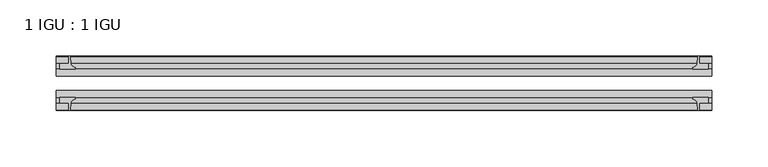
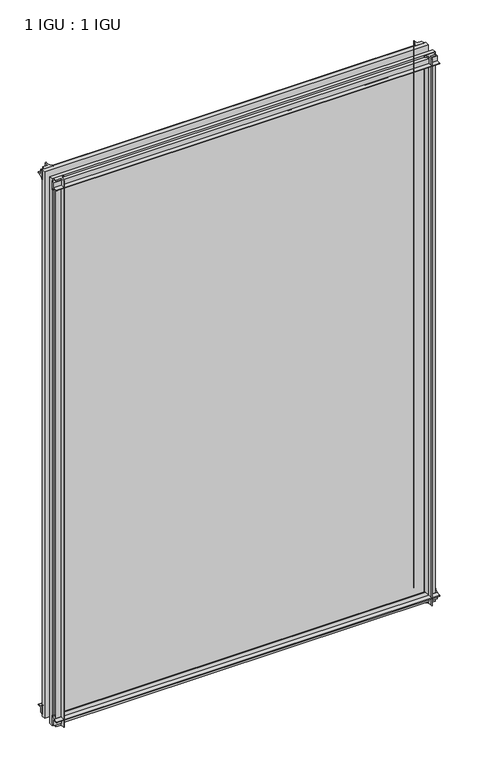
"""IFC4 building model written with IfcOpenShell, lengths in millimetres: plate geometry, 1 IGU : 1 IGU."""

from ifc_helpers import new_model, si_unit, point, frame, frame_2d, origin, place, context, project, spatial, polyline, circle_curve, trimmed, segment, composite_curve, outline, extrude, source, transform, mapped, element, save


def plate_1_igu_1_igu_4a986bf8(model_context):
    return source(origin(), model_context, "Body", "SweptSolid", [
        extrude(outline(composite_curve([segment(polyline([(-42.3267187, -8.2068385), (-47.0892187, -8.2068385), (-47.0892187, 0.0), (-53.563779, 0.0)]), True, "CONTINUOUS"), segment(trimmed(circle_curve(frame_2d((-53.0328134, 0.3482823)), 0.635), [point((-53.563779, 0.0))], [point((-53.0575397, 0.9828007))], False, "CARTESIAN"), True, "CONTINUOUS"), segment(trimmed(circle_curve(frame_2d((-54.2310045, 31.0958559)), 30.1359106), [point((-53.0575397, 0.9828007))], [point((-47.0834032, 1.8198434))], True, "CARTESIAN"), True, "CONTINUOUS"), segment(trimmed(circle_curve(frame_2d((-48.2159797, 6.4587878)), 4.7752), [point((-47.0834032, 1.8198434))], [point((-43.578416, 5.3205707))], True, "CARTESIAN"), True, "CONTINUOUS"), segment(trimmed(circle_curve(frame_2d((-42.9617187, 5.169212)), 0.635), [point((-43.578416, 5.3205707))], [point((-42.3267187, 5.169212))], False, "CARTESIAN"), True, "CONTINUOUS"), segment(polyline([(-42.3267187, 5.169212), (-42.3267187, -8.2068385)]), True, "CONTINUOUS")], self_intersect=False)), frame((-290.5125, 0.0, 0.0), z_axis=(1.0, 0.0, 0.0), x_axis=(0.0, 1.0, 0.0)), (0.0, 0.0, 1.0), 581.025),
        extrude(outline(composite_curve([segment(polyline([(-16.9267187, -8.2068385), (-16.9267187, 5.169212)]), True, "CONTINUOUS"), segment(trimmed(circle_curve(frame_2d((-16.2917187, 5.169212)), 0.635), [point((-16.9267187, 5.169212))], [point((-15.6750215, 5.3205707))], False, "CARTESIAN"), True, "CONTINUOUS"), segment(trimmed(circle_curve(frame_2d((-11.0374578, 6.4587878)), 4.7752), [point((-15.6750215, 5.3205707))], [point((-12.1700343, 1.8198434))], True, "CARTESIAN"), True, "CONTINUOUS"), segment(trimmed(circle_curve(frame_2d((-5.022433, 31.0958559)), 30.1359106), [point((-12.1700343, 1.8198434))], [point((-6.1958978, 0.9828007))], True, "CARTESIAN"), True, "CONTINUOUS"), segment(trimmed(circle_curve(frame_2d((-6.2206241, 0.3482823)), 0.635), [point((-6.1958978, 0.9828007))], [point((-5.6896585, 0.0))], False, "CARTESIAN"), True, "CONTINUOUS"), segment(polyline([(-5.6896585, 0.0), (-12.1642187, 0.0), (-12.1642187, -8.2068385), (-16.9267187, -8.2068385)]), True, "CONTINUOUS")], self_intersect=False)), frame((-290.5125, 0.0, 0.0), z_axis=(1.0, 0.0, 0.0), x_axis=(0.0, 1.0, 0.0)), (0.0, 0.0, 1.0), 581.025),
        extrude(outline(composite_curve([segment(polyline([(-47.0892188, 854.0748985), (-47.0892188, 862.281737), (-42.3267188, 862.281737), (-42.3267188, 848.9056865)]), True, "CONTINUOUS"), segment(trimmed(circle_curve(frame_2d((-42.9617187, 848.9056865)), 0.635), [point((-42.3267188, 848.9056865))], [point((-43.578416, 848.7543278))], False, "CARTESIAN"), True, "CONTINUOUS"), segment(trimmed(circle_curve(frame_2d((-48.2159797, 847.6161107)), 4.7752), [point((-43.578416, 848.7543278))], [point((-47.0834032, 852.2550551))], True, "CARTESIAN"), True, "CONTINUOUS"), segment(trimmed(circle_curve(frame_2d((-54.2310045, 822.9790426)), 30.1359106), [point((-47.0834032, 852.2550551))], [point((-53.0575397, 853.0920978))], True, "CARTESIAN"), True, "CONTINUOUS"), segment(trimmed(circle_curve(frame_2d((-53.0328134, 853.7266162)), 0.635), [point((-53.0575397, 853.0920978))], [point((-53.563779, 854.0748985))], False, "CARTESIAN"), True, "CONTINUOUS"), segment(polyline([(-53.563779, 854.0748985), (-47.0892188, 854.0748985)]), True, "CONTINUOUS")], self_intersect=False)), frame((-290.5125, 0.0, 0.0), z_axis=(1.0, 0.0, 0.0), x_axis=(0.0, 1.0, 0.0)), (0.0, 0.0, 1.0), 581.025),
        extrude(outline(composite_curve([segment(polyline([(-12.1642187, 854.0748985), (-5.6896585, 854.0748985)]), True, "CONTINUOUS"), segment(trimmed(circle_curve(frame_2d((-6.2206241, 853.7266162)), 0.635), [point((-5.6896585, 854.0748985))], [point((-6.1958978, 853.0920978))], False, "CARTESIAN"), True, "CONTINUOUS"), segment(trimmed(circle_curve(frame_2d((-5.022433, 822.9790426)), 30.1359106), [point((-6.1958978, 853.0920978))], [point((-12.1700343, 852.2550551))], True, "CARTESIAN"), True, "CONTINUOUS"), segment(trimmed(circle_curve(frame_2d((-11.0374578, 847.6161107)), 4.7752), [point((-12.1700343, 852.2550551))], [point((-15.6750215, 848.7543278))], True, "CARTESIAN"), True, "CONTINUOUS"), segment(trimmed(circle_curve(frame_2d((-16.2917188, 848.9056865)), 0.635), [point((-15.6750215, 848.7543278))], [point((-16.9267188, 848.9056865))], False, "CARTESIAN"), True, "CONTINUOUS"), segment(polyline([(-16.9267188, 848.9056865), (-16.9267187, 862.281737), (-12.1642187, 862.281737), (-12.1642187, 854.0748985)]), True, "CONTINUOUS")], self_intersect=False)), frame((-290.5125, 0.0, 0.0), z_axis=(1.0, 0.0, 0.0), x_axis=(0.0, 1.0, 0.0)), (0.0, 0.0, 1.0), 581.025),
        extrude(outline(composite_curve([segment(polyline([(279.4, -5.6896585), (279.4, -12.1642188), (287.6068385, -12.1642188), (287.6068385, -16.9267187), (274.230788, -16.9267187)]), True, "CONTINUOUS"), segment(trimmed(circle_curve(frame_2d((274.230788, -16.2917188)), 0.635), [point((274.230788, -16.9267187))], [point((274.0794293, -15.6750215))], False, "CARTESIAN"), True, "CONTINUOUS"), segment(trimmed(circle_curve(frame_2d((272.9412122, -11.0374578)), 4.7752), [point((274.0794293, -15.6750215))], [point((277.5801566, -12.1700343))], True, "CARTESIAN"), True, "CONTINUOUS"), segment(trimmed(circle_curve(frame_2d((248.3041441, -5.022433)), 30.1359106), [point((277.5801566, -12.1700343))], [point((278.4171993, -6.1958978))], True, "CARTESIAN"), True, "CONTINUOUS"), segment(trimmed(circle_curve(frame_2d((279.0517177, -6.2206241)), 0.635), [point((278.4171993, -6.1958978))], [point((279.4, -5.6896585))], False, "CARTESIAN"), True, "CONTINUOUS")], self_intersect=False)), frame((0.0, 0.0, -11.1125), z_axis=(0.0, 0.0, 1.0), x_axis=(1.0, 0.0, 0.0)), (0.0, 0.0, 1.0), 876.2998985),
        extrude(outline(composite_curve([segment(trimmed(circle_curve(frame_2d((279.0517177, -53.0328134)), 0.635), [point((279.4, -53.563779))], [point((278.4171993, -53.0575397))], False, "CARTESIAN"), True, "CONTINUOUS"), segment(trimmed(circle_curve(frame_2d((248.3041441, -54.2310045)), 30.1359106), [point((278.4171993, -53.0575397))], [point((277.5801566, -47.0834032))], True, "CARTESIAN"), True, "CONTINUOUS"), segment(trimmed(circle_curve(frame_2d((272.9412122, -48.2159797)), 4.7752), [point((277.5801566, -47.0834032))], [point((274.0794293, -43.578416))], True, "CARTESIAN"), True, "CONTINUOUS"), segment(trimmed(circle_curve(frame_2d((274.230788, -42.9617187)), 0.635), [point((274.0794293, -43.578416))], [point((274.230788, -42.3267187))], False, "CARTESIAN"), True, "CONTINUOUS"), segment(polyline([(274.230788, -42.3267187), (287.6068385, -42.3267187), (287.6068385, -47.0892188), (279.4, -47.0892188), (279.4, -53.563779)]), True, "CONTINUOUS")], self_intersect=False)), frame((0.0, 0.0, -11.1125), z_axis=(0.0, 0.0, 1.0), x_axis=(1.0, 0.0, 0.0)), (0.0, 0.0, 1.0), 876.2998985),
        extrude(outline(composite_curve([segment(trimmed(circle_curve(frame_2d((-279.0517177, -6.2206241)), 0.635), [point((-279.4, -5.6896585))], [point((-278.4171993, -6.1958978))], False, "CARTESIAN"), True, "CONTINUOUS"), segment(trimmed(circle_curve(frame_2d((-248.3041441, -5.022433)), 30.1359106), [point((-278.4171993, -6.1958978))], [point((-277.5801566, -12.1700343))], True, "CARTESIAN"), True, "CONTINUOUS"), segment(trimmed(circle_curve(frame_2d((-272.9412122, -11.0374578)), 4.7752), [point((-277.5801566, -12.1700343))], [point((-274.0794293, -15.6750215))], True, "CARTESIAN"), True, "CONTINUOUS"), segment(trimmed(circle_curve(frame_2d((-274.230788, -16.2917187)), 0.635), [point((-274.0794293, -15.6750215))], [point((-274.230788, -16.9267187))], False, "CARTESIAN"), True, "CONTINUOUS"), segment(polyline([(-274.230788, -16.9267187), (-287.6068385, -16.9267187), (-287.6068385, -12.1642187), (-279.4, -12.1642187), (-279.4, -5.6896585)]), True, "CONTINUOUS")], self_intersect=False)), frame((0.0, 0.0, -11.1125), z_axis=(0.0, 0.0, 1.0), x_axis=(1.0, 0.0, 0.0)), (0.0, 0.0, 1.0), 876.2998985),
        extrude(outline(composite_curve([segment(polyline([(-279.4, -53.563779), (-279.4, -47.0892187), (-287.6068385, -47.0892187), (-287.6068385, -42.3267188), (-274.230788, -42.3267188)]), True, "CONTINUOUS"), segment(trimmed(circle_curve(frame_2d((-274.230788, -42.9617187)), 0.635), [point((-274.230788, -42.3267188))], [point((-274.0794293, -43.578416))], False, "CARTESIAN"), True, "CONTINUOUS"), segment(trimmed(circle_curve(frame_2d((-272.9412122, -48.2159797)), 4.7752), [point((-274.0794293, -43.578416))], [point((-277.5801566, -47.0834032))], True, "CARTESIAN"), True, "CONTINUOUS"), segment(trimmed(circle_curve(frame_2d((-248.3041441, -54.2310045)), 30.1359106), [point((-277.5801566, -47.0834032))], [point((-278.4171993, -53.0575397))], True, "CARTESIAN"), True, "CONTINUOUS"), segment(trimmed(circle_curve(frame_2d((-279.0517177, -53.0328134)), 0.635), [point((-278.4171993, -53.0575397))], [point((-279.4, -53.563779))], False, "CARTESIAN"), True, "CONTINUOUS")], self_intersect=False)), frame((0.0, 0.0, -11.1125), z_axis=(0.0, 0.0, 1.0), x_axis=(1.0, 0.0, 0.0)), (0.0, 0.0, 1.0), 876.2998985),
        extrude(outline(polyline([(290.5125, -16.9267187), (290.5125, -23.2259187), (-290.5125, -23.2259187), (-290.5125, -16.9267187), (290.5125, -16.9267187)])), frame((0.0, 0.0, -11.1125), z_axis=(0.0, 0.0, 1.0), x_axis=(1.0, 0.0, 0.0)), (0.0, 0.0, 1.0), 876.2998985),
        extrude(outline(polyline([(290.5125, -36.0275187), (290.5125, -42.3267187), (-290.5125, -42.3267187), (-290.5125, -36.0275187), (290.5125, -36.0275187)])), frame((0.0, 0.0, -11.1125), z_axis=(0.0, 0.0, 1.0), x_axis=(1.0, 0.0, 0.0)), (0.0, 0.0, 1.0), 876.2998985),
    ])


if __name__ == "__main__":
    model = new_model("IFC4")
    model_context = context("Model", 3, world=origin())
    ifc_project = project(units=[si_unit("LENGTHUNIT", "METRE", prefix="MILLI")], contexts=[model_context])
    site = spatial("IfcSite", under=ifc_project)
    building = spatial("IfcBuilding", under=site)
    placement = place(None, origin())
    plate_1_igu_1_igu_shape = plate_1_igu_1_igu_4a986bf8(model_context)
    element("IfcPlate", 1, ObjectType="1 IGU : 1 IGU", at=placement, inside=building, context=model_context, shape_type="MappedRepresentation", body=[
        mapped(plate_1_igu_1_igu_shape, transform((0.0, 0.0, 0.0), x_axis=(1.0, 0.0, 0.0), y_axis=(0.0, 1.0, 0.0), z_axis=(0.0, 0.0, 1.0))),
    ])
    save(model, "model.ifc")
